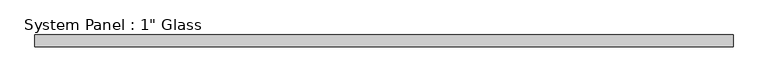
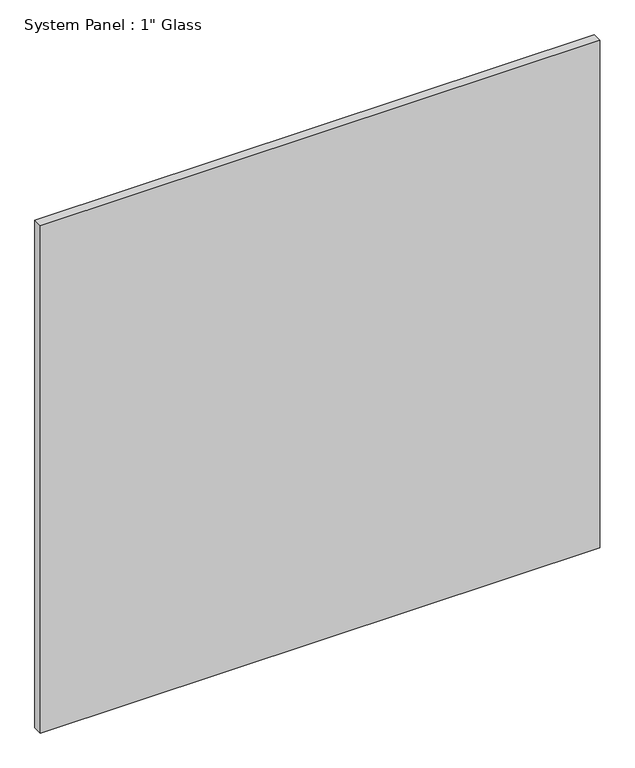
"""IFC4 building model written with IfcOpenShell, lengths in millimetres: plate geometry."""

from ifc_helpers import new_model, si_unit, origin, origin_with_axes, place, context, project, spatial, polyline, outline, extrude, source, transform, mapped, element, save


def plate_be345480(model_context):
    return source(origin(), model_context, "Body", "SweptSolid", [
        extrude(outline(polyline([(742.9508852, -10.31875), (-742.9508852, -10.31875), (-742.9508852, 15.08125), (742.9508852, 15.08125), (742.9508852, -10.31875)])), origin_with_axes(), (0.0, 0.0, 1.0), 1424.9417704),
    ])


if __name__ == "__main__":
    model = new_model("IFC4")
    model_context = context("Model", 3, world=origin())
    ifc_project = project(units=[si_unit("LENGTHUNIT", "METRE", prefix="MILLI")], contexts=[model_context])
    site = spatial("IfcSite", under=ifc_project)
    building = spatial("IfcBuilding", under=site)
    placement = place(None, origin())
    plate_shape = plate_be345480(model_context)
    element("IfcPlate", 1, ObjectType="System Panel : 1\" Glass", at=placement, inside=building, context=model_context, shape_type="MappedRepresentation", body=[
        mapped(plate_shape, transform((0.0, 0.0, 0.0), x_axis=(1.0, 0.0, 0.0), y_axis=(0.0, 1.0, 0.0), z_axis=(0.0, 0.0, 1.0))),
    ])
    save(model, "model.ifc")
